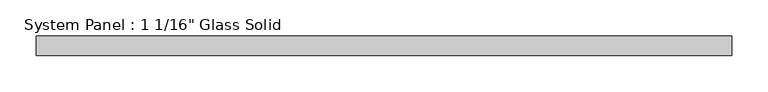
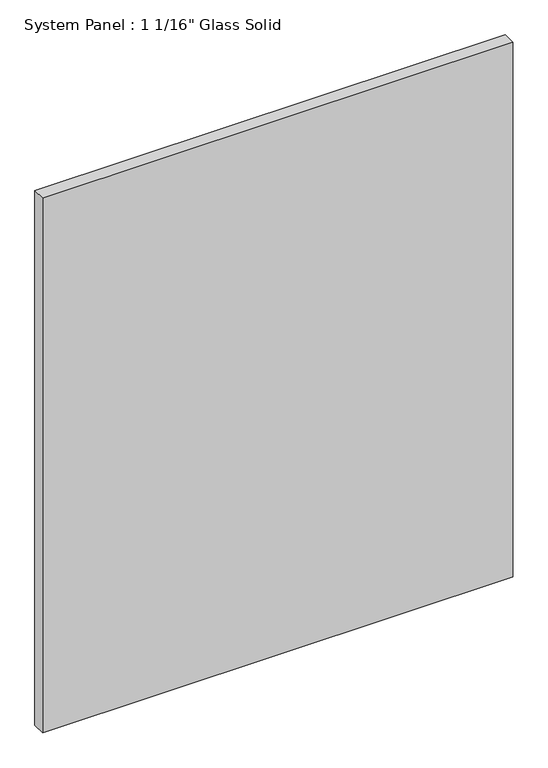
"""IFC4 building model written with IfcOpenShell, lengths in millimetres: plate geometry."""

from ifc_helpers import new_model, si_unit, origin, origin_with_axes, place, context, project, spatial, polyline, outline, extrude, source, transform, mapped, element, save


def plate_e0a30d7d(model_context):
    return source(origin(), model_context, "Body", "SweptSolid", [
        extrude(outline(polyline([(480.0055865, -13.49375), (-480.0055865, -13.49375), (-480.0055865, 13.49375), (480.0055865, 13.49375), (480.0055865, -13.49375)])), origin_with_axes(), (0.0, 0.0, 1.0), 1154.5441382),
    ])


if __name__ == "__main__":
    model = new_model("IFC4")
    model_context = context("Model", 3, world=origin())
    ifc_project = project(units=[si_unit("LENGTHUNIT", "METRE", prefix="MILLI")], contexts=[model_context])
    site = spatial("IfcSite", under=ifc_project)
    building = spatial("IfcBuilding", under=site)
    placement = place(None, origin())
    plate_shape = plate_e0a30d7d(model_context)
    element("IfcPlate", 1, ObjectType="System Panel : 1 1/16\" Glass Solid", at=placement, inside=building, context=model_context, shape_type="MappedRepresentation", body=[
        mapped(plate_shape, transform((0.0, 0.0, 0.0), x_axis=(1.0, 0.0, 0.0), y_axis=(0.0, 1.0, 0.0), z_axis=(0.0, 0.0, 1.0))),
    ])
    save(model, "model.ifc")
